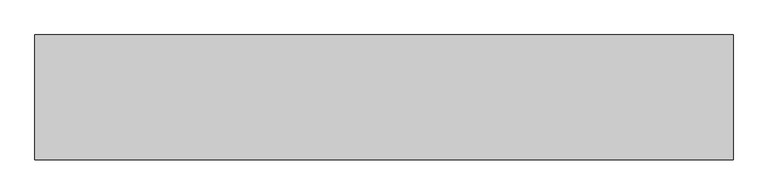
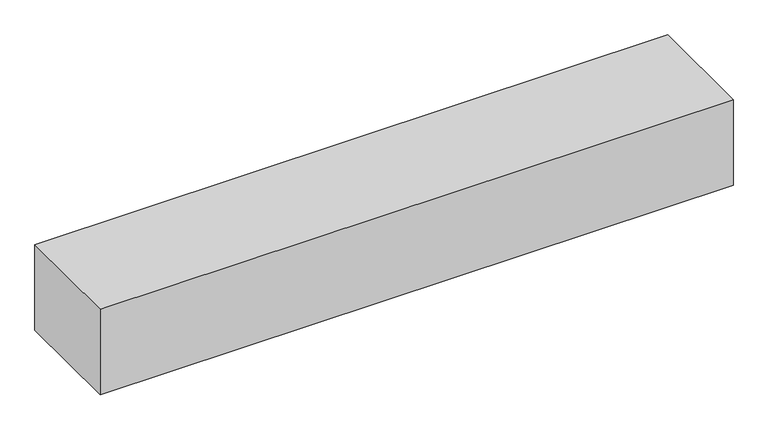
"""IFC4 building model written with IfcOpenShell, lengths in millimetres: geographic element geometry."""

from ifc_helpers import new_model, si_unit, origin, origin_with_axes, place, context, project, spatial, polyline, outline, extrude, source, transform, mapped, element, save


def geographic_element_e2d250f7(model_context):
    return source(origin(), model_context, "Body", "SweptSolid", [
        extrude(outline(polyline([(0.0, 0.0), (0.0, 500.0), (2800.0, 500.0), (2800.0, 0.0), (0.0, 0.0)])), origin_with_axes(), (0.0, 0.0, 1.0), 400.0),
    ])


if __name__ == "__main__":
    model = new_model("IFC4")
    model_context = context("Model", 3, world=origin())
    ifc_project = project(units=[si_unit("LENGTHUNIT", "METRE", prefix="MILLI")], contexts=[model_context])
    site = spatial("IfcSite", under=ifc_project)
    building = spatial("IfcBuilding", under=site)
    placement = place(None, origin())
    geographic_element_shape = geographic_element_e2d250f7(model_context)
    element("IfcGeographicElement", 1, at=placement, inside=building, context=model_context, shape_type="MappedRepresentation", body=[
        mapped(geographic_element_shape, transform((0.0, 0.0, 0.0), x_axis=(1.0, 0.0, 0.0), y_axis=(0.0, 1.0, 0.0), z_axis=(0.0, 0.0, 1.0))),
    ])
    save(model, "model.ifc")
